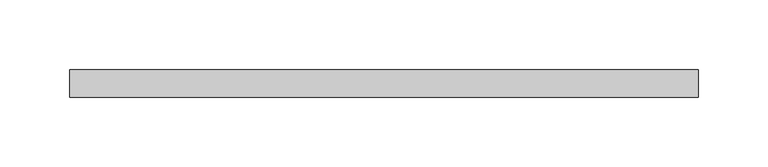
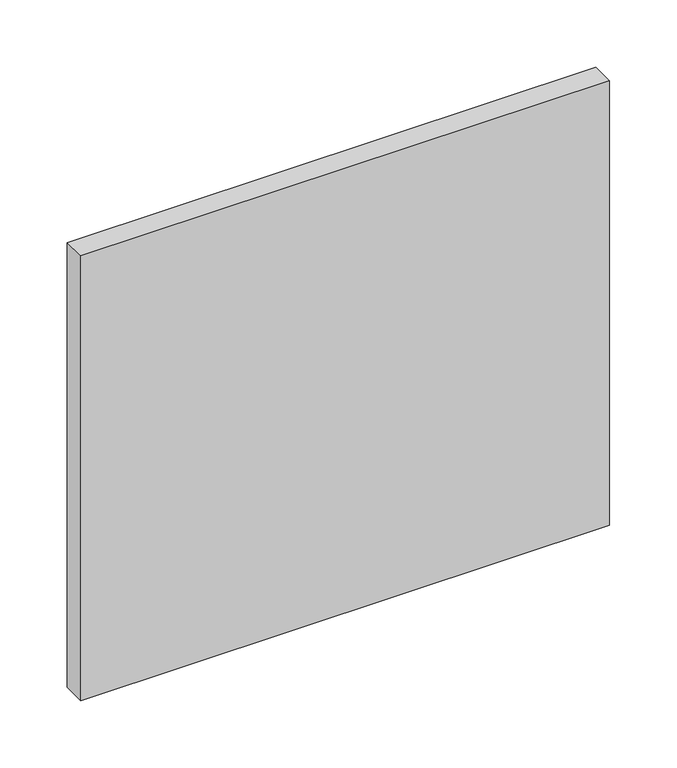
"""IFC4 building model written with IfcOpenShell, lengths in millimetres: plate geometry."""

from ifc_helpers import new_model, si_unit, origin, origin_with_axes, place, context, project, spatial, polyline, outline, extrude, source, transform, mapped, element, save


def plate_a17a4642(model_context):
    return source(origin(), model_context, "Body", "SweptSolid", [
        extrude(outline(polyline([(226.25, -90.0), (-226.25, -90.0), (-226.25, -70.0), (226.25, -70.0), (226.25, -90.0)])), origin_with_axes(), (0.0, 0.0, 1.0), 402.3076923),
    ])


if __name__ == "__main__":
    model = new_model("IFC4")
    model_context = context("Model", 3, world=origin())
    ifc_project = project(units=[si_unit("LENGTHUNIT", "METRE", prefix="MILLI")], contexts=[model_context])
    site = spatial("IfcSite", under=ifc_project)
    building = spatial("IfcBuilding", under=site)
    placement = place(None, origin())
    plate_shape = plate_a17a4642(model_context)
    element("IfcPlate", 1, at=placement, inside=building, context=model_context, shape_type="MappedRepresentation", body=[
        mapped(plate_shape, transform((0.0, 0.0, 0.0), x_axis=(1.0, 0.0, 0.0), y_axis=(0.0, 1.0, 0.0), z_axis=(0.0, 0.0, 1.0))),
    ])
    save(model, "model.ifc")
